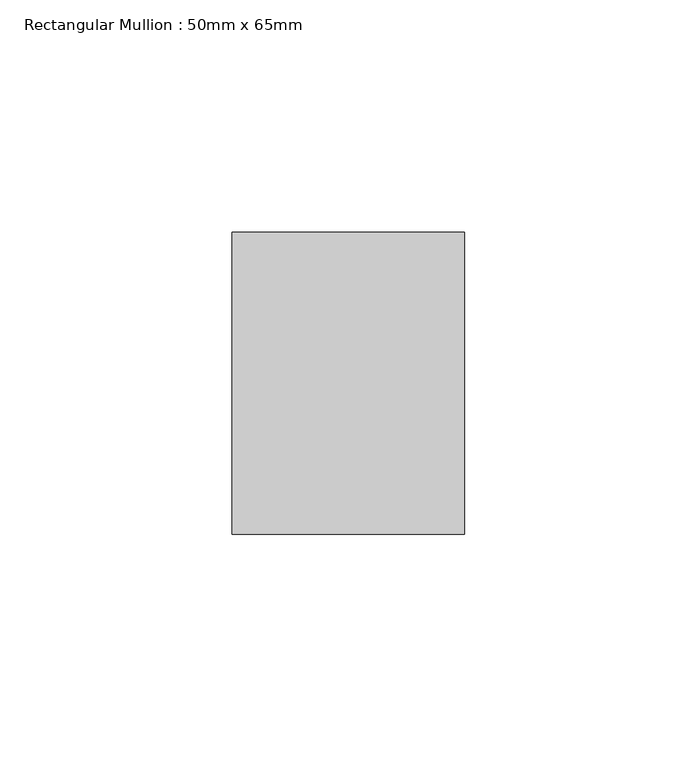
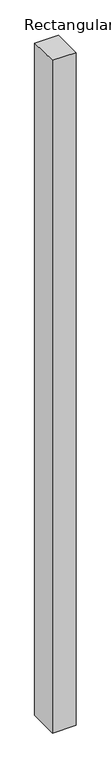
"""IFC4 building model written with IfcOpenShell, lengths in millimetres: member geometry, Rectangular Mullion : 50mm x 65mm."""

from ifc_helpers import new_model, si_unit, origin, place, context, project, spatial, faceted_brep, source, transform, mapped, element, save


def rectangular_mullion_50mm_x_65mm_54b47a13(model_context):
    return source(origin(), model_context, "Body", "Brep", [
        faceted_brep([(-25.0, 32.5, -0.353669), (25.0, 32.5, -0.3536723), (25.0, 32.5, -1499.5480024), (-25.0, 32.5, -1499.5480067), (-25.0, -32.5, 0.3536723), (-25.0, -32.5, -1500.4516366), (25.0, -32.5, 0.353669), (25.0, -32.5, -1500.4516323)], [[[0, 1, 2, 3]], [[4, 0, 3, 5]], [[6, 4, 5, 7]], [[1, 6, 7, 2]], [[1, 0, 4, 6]], [[2, 7, 5, 3]]]),
    ])


if __name__ == "__main__":
    model = new_model("IFC4")
    model_context = context("Model", 3, world=origin())
    ifc_project = project(units=[si_unit("LENGTHUNIT", "METRE", prefix="MILLI")], contexts=[model_context])
    site = spatial("IfcSite", under=ifc_project)
    building = spatial("IfcBuilding", under=site)
    placement = place(None, origin())
    rectangular_mullion_50mm_x_65mm_shape = rectangular_mullion_50mm_x_65mm_54b47a13(model_context)
    element("IfcMember", 1, ObjectType="Rectangular Mullion : 50mm x 65mm", at=placement, inside=building, context=model_context, shape_type="MappedRepresentation", body=[
        mapped(rectangular_mullion_50mm_x_65mm_shape, transform((0.0, 0.0, 0.0), x_axis=(1.0, 0.0, 0.0), y_axis=(0.0, 1.0, 0.0), z_axis=(0.0, 0.0, 1.0))),
    ])
    save(model, "model.ifc")
